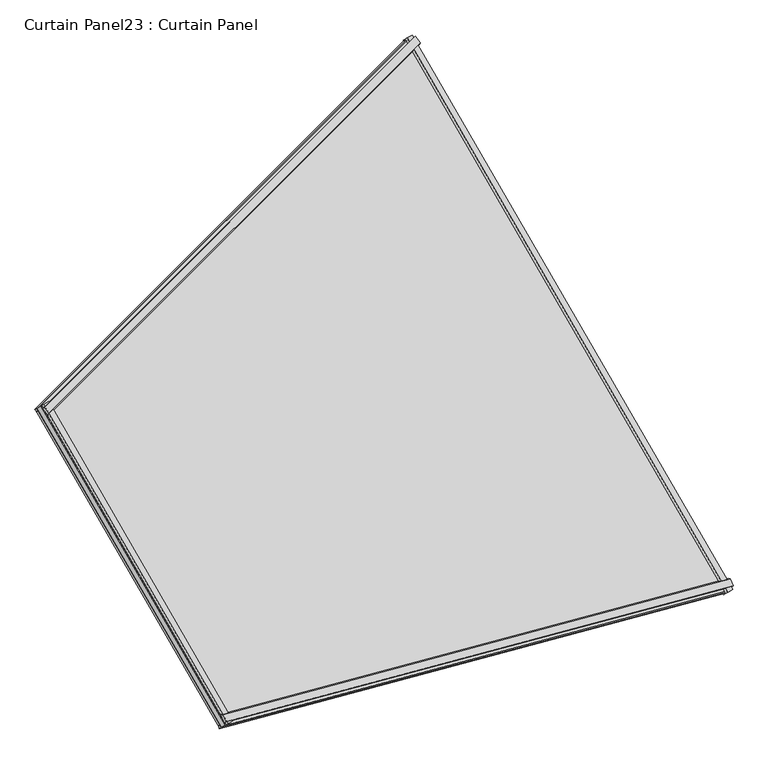
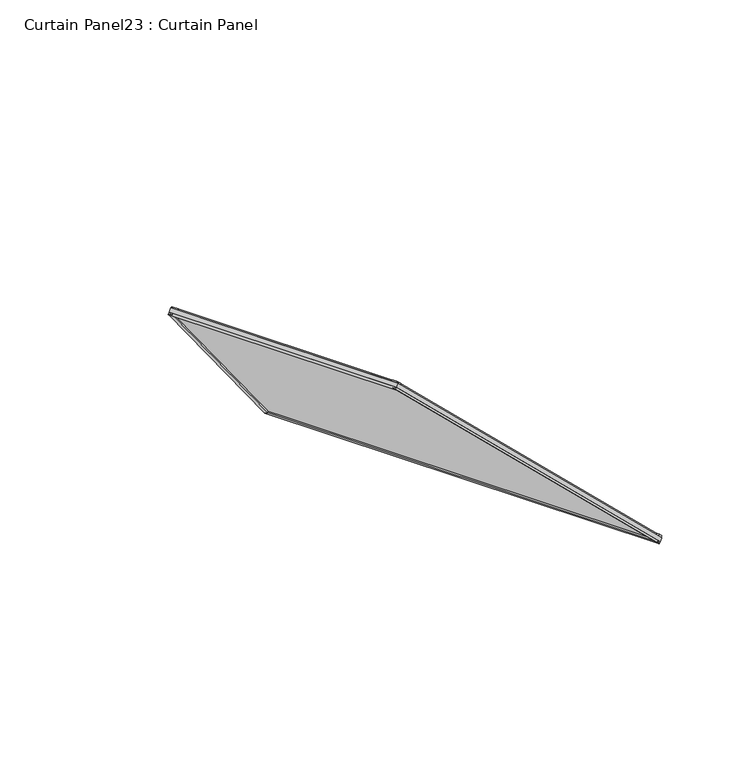
"""IFC4 building model written with IfcOpenShell, lengths in millimetres: plate geometry, Curtain Panel23 : Curtain Panel."""

import ifcopenshell
import ifcopenshell.guid

model = None  # the IFC model being written
_history = None  # IfcOwnerHistory: only IFC2X3 demands one
_inside = {}  # id of a spatial element -> (the spatial element, [elements in it])
_under = {}  # id of a project, library or spatial element -> (it, [spatial elements below it])
_declared = {}  # id of a project -> (the project, [libraries it declares])
_typed = {}  # id of a type object -> (the type object, [elements of that type])
_made_of = {}  # id of a material, layer set ... -> (it, [elements and type objects made of it])


def new_model(schema):
    """Start an empty IFC model of exactly this schema.

    Asked for "IFC4X3", IfcOpenShell would pick the latest addendum, in which some entities
    have other attributes; the version numbers below select the first issue.
    IFC2X3 requires an IfcOwnerHistory on every rooted entity: one is made here for all.
    """
    global model, _history
    if schema == "IFC4X3":
        model = ifcopenshell.file(schema_version=(4, 3, 0, 0))
    else:
        model = ifcopenshell.file(schema=schema)
    _inside.clear()
    _under.clear()
    _declared.clear()
    _typed.clear()
    _made_of.clear()
    _history = None
    if model.schema == "IFC2X3":
        org = make("IfcOrganization", Name="unknown")
        user = make(
            "IfcPersonAndOrganization",
            ThePerson=make("IfcPerson", FamilyName="unknown"),
            TheOrganization=org,
        )
        app = make(
            "IfcApplication",
            ApplicationDeveloper=org,
            Version="unknown",
            ApplicationFullName="unknown",
            ApplicationIdentifier="unknown",
        )
        _history = make(
            "IfcOwnerHistory",
            OwningUser=user,
            OwningApplication=app,
            ChangeAction="ADDED",
            CreationDate=0,
        )
    return model


def make(cls, **values):
    """One entity of the class cls with the attributes given. An attribute that is None is left unset."""
    return model.create_entity(
        cls, **{name: value for name, value in values.items() if value is not None}
    )


def rooted(cls, **values):
    """An entity with a GlobalId (a new one), such as an element, a storey or a relation."""
    return make(cls, GlobalId=ifcopenshell.guid.new(), OwnerHistory=_history, **values)


def si_unit(unit_type, name, prefix=None):
    """IfcSIUnit, for example si_unit("LENGTHUNIT", "METRE", prefix="MILLI")."""
    return make("IfcSIUnit", UnitType=unit_type, Prefix=prefix, Name=name)


def assignment(units):
    """IfcUnitAssignment: the units of a project."""
    return None if units is None else make("IfcUnitAssignment", Units=units)


def point(xyz):
    """IfcCartesianPoint."""
    return None if xyz is None else make("IfcCartesianPoint", Coordinates=xyz)


def direction(xyz):
    """IfcDirection."""
    return None if xyz is None else make("IfcDirection", DirectionRatios=xyz)


def frame(location, z_axis=None, x_axis=None):
    """IfcAxis2Placement3D, a coordinate frame: its origin and axes. An axis left out is left unset."""
    return make(
        "IfcAxis2Placement3D",
        Location=point(location),
        Axis=direction(z_axis),
        RefDirection=direction(x_axis),
    )


def origin():
    """The frame at (0, 0, 0) with its axes left unset."""
    return frame((0.0, 0.0, 0.0))


def place(relative_to, where):
    """IfcLocalPlacement: puts the frame where relative to a parent placement (None: the world)."""
    return make(
        "IfcLocalPlacement", PlacementRelTo=relative_to, RelativePlacement=where
    )


def context(
    kind, dimensions, precision=None, world=None, true_north=None, identifier=None
):
    """IfcGeometricRepresentationContext, for example the 3D "Model" context."""
    return make(
        "IfcGeometricRepresentationContext",
        ContextIdentifier=identifier,
        ContextType=kind,
        CoordinateSpaceDimension=dimensions,
        Precision=precision,
        WorldCoordinateSystem=world,
        TrueNorth=true_north,
    )


def project(units=None, contexts=None):
    """IfcProject with its units and contexts."""
    return rooted(
        "IfcProject",
        Name="project",
        RepresentationContexts=contexts,
        UnitsInContext=assignment(units),
    )


def spatial(cls, under=None, at=None, **own):
    """A site, building, storey or space (cls), placed at a placement, below another one or the project."""
    s = rooted(cls, ObjectPlacement=at, **own)
    if under is not None:
        _under.setdefault(under.id(), (under, []))[1].append(s)
    return s


def polyline(points):
    """IfcPolyline through the points."""
    return make("IfcPolyline", Points=[point(p) for p in points])


def outline(outer, holes=None, kind="AREA"):
    """IfcArbitraryClosedProfileDef: a profile drawn as a closed curve; with holes, ...WithVoids."""
    if holes is None:
        return make("IfcArbitraryClosedProfileDef", ProfileType=kind, OuterCurve=outer)
    return make(
        "IfcArbitraryProfileDefWithVoids",
        ProfileType=kind,
        OuterCurve=outer,
        InnerCurves=holes,
    )


def extrude(swept, where, along, depth):
    """IfcExtrudedAreaSolid: the profile swept, set in the frame where, extruded along a direction by depth."""
    return make(
        "IfcExtrudedAreaSolid",
        SweptArea=swept,
        Position=where,
        ExtrudedDirection=direction(along),
        Depth=depth,
    )


def shape(context_of_items, identifier, shape_type, items):
    """IfcShapeRepresentation: the items that make up one representation, for example the "Body"."""
    return make(
        "IfcShapeRepresentation",
        ContextOfItems=context_of_items,
        RepresentationIdentifier=identifier,
        RepresentationType=shape_type,
        Items=items,
    )


def source(mapping_origin, context_of_items, identifier, shape_type, items):
    """IfcRepresentationMap: a shape defined once, which mapped items show again and again."""
    return make(
        "IfcRepresentationMap",
        MappingOrigin=mapping_origin,
        MappedRepresentation=shape(context_of_items, identifier, shape_type, items),
    )


def transform(
    local_origin,
    x_axis=None,
    y_axis=None,
    z_axis=None,
    scale=None,
    scale2=None,
    scale3=None,
    uniform=True,
):
    """IfcCartesianTransformationOperator3D, or its non-uniform kind. x_axis, y_axis, z_axis: its Axis1, 2, 3."""
    if uniform:
        return make(
            "IfcCartesianTransformationOperator3D",
            Axis1=direction(x_axis),
            Axis2=direction(y_axis),
            LocalOrigin=point(local_origin),
            Scale=scale,
            Axis3=direction(z_axis),
        )
    return make(
        "IfcCartesianTransformationOperator3DnonUniform",
        Axis1=direction(x_axis),
        Axis2=direction(y_axis),
        LocalOrigin=point(local_origin),
        Scale=scale,
        Axis3=direction(z_axis),
        Scale2=scale2,
        Scale3=scale3,
    )


def mapped(mapping_source, mapping_target):
    """IfcMappedItem: shows the shape of a source again, moved by a transform."""
    return make(
        "IfcMappedItem", MappingSource=mapping_source, MappingTarget=mapping_target
    )


def made_of(thing, what):
    """Note that an element or type object is made of a material, layer set ...; save() writes the relation."""
    if what is not None:
        _made_of.setdefault(what.id(), (what, []))[1].append(thing)
    return thing


def element(
    cls,
    number,
    at=None,
    inside=None,
    cuts=None,
    type_object=None,
    material=None,
    context=None,
    identifier="Body",
    shape_type=None,
    held_by="IfcProductDefinitionShape",
    body=None,
    shapes=None,
    **own,
):
    """One element of the class cls, such as IfcWall. Its Tag is "e" and its number.

    at: its placement. inside: the storey or other place that contains it. cuts: it is an
    opening in that element (IfcRelVoidsElement). A single representation is given by context,
    identifier, shape_type and body (its items); several are given by shapes. held_by: the class
    of the entity that holds the representations. save() writes the other relations.
    """
    e = rooted(cls, Tag="e%d" % number, ObjectPlacement=at, **own)
    if body is not None:
        shapes = [shape(context, identifier, shape_type, body)]
    if shapes is not None:
        e.Representation = make(held_by, Representations=shapes)
    if inside is not None:
        _inside.setdefault(inside.id(), (inside, []))[1].append(e)
    if cuts is not None:
        rooted(
            "IfcRelVoidsElement", RelatingBuildingElement=cuts, RelatedOpeningElement=e
        )
    if type_object is not None:
        _typed.setdefault(type_object.id(), (type_object, []))[1].append(e)
    return made_of(e, material)


def aggregate(whole, parts):
    """IfcRelAggregates: a whole, such as a stair, and the parts it consists of."""
    return rooted("IfcRelAggregates", RelatingObject=whole, RelatedObjects=parts)


def save(model, path):
    """Write the relations noted so far, then the file.

    IfcRelAggregates (storeys below a building ...), IfcRelContainedInSpatialStructure (elements
    in a storey), IfcRelDefinesByType, IfcRelAssociatesMaterial and IfcRelDeclares: one each for
    every whole, place, type object, material and project.
    """
    for whole, parts in _under.values():
        aggregate(whole, parts)
    for where, things in _inside.values():
        rooted(
            "IfcRelContainedInSpatialStructure",
            RelatedElements=things,
            RelatingStructure=where,
        )
    for kind, things in _typed.values():
        rooted("IfcRelDefinesByType", RelatedObjects=things, RelatingType=kind)
    for what, things in _made_of.values():
        rooted("IfcRelAssociatesMaterial", RelatedObjects=things, RelatingMaterial=what)
    for by, libraries in _declared.values():
        rooted("IfcRelDeclares", RelatingContext=by, RelatedDefinitions=libraries)
    model.write(path)


def curtain_panel23_curtain_panel_d9ef7de8(model_context):
    return source(origin(), model_context, "Body", "SweptSolid", [
        extrude(outline(polyline([(22.3831196, -5.94766), (22.4361731, -22.5325479), (17.5121094, -25.3444408), (17.5121093, -5.9632419), (22.3831196, -5.94766)])), frame((-10338.2799405, -11851.903914, 2447.9025634), z_axis=(-0.5000000000000031, -0.49999999999999606, 0.7071067811865482), x_axis=(0.6228927525104988, 0.3596272983381983, 0.6947465906068653)), (0.0, 0.0, 1.0), 1550.2696766),
        extrude(outline(polyline([(-2.3405703, 1e-07), (4.7128906, 1e-07), (4.7128906, -11.3518128), (-0.0198592, -12.2485207), (-2.3405703, 1e-07)])), frame((-10338.2799405, -11851.903914, 2447.9025634), z_axis=(-0.5000000000000031, -0.49999999999999606, 0.7071067811865482), x_axis=(0.6228927525104988, 0.3596272983381983, 0.6947465906068653)), (0.0, 0.0, 1.0), 1550.2696766),
        extrude(outline(polyline([(22.3831196, 5.9476601), (17.5121093, 5.963242), (17.5121093, 25.3444409), (22.4361731, 22.532548), (22.3831196, 5.9476601)])), frame((-9669.7596169, -13009.8150803, 2447.9025634), z_axis=(-0.683012701892215, -0.18301270189222724, 0.7071067811865499), x_axis=(0.6228927525104987, 0.35962729833819845, 0.6947465906068652)), (0.0, 0.0, 1.0), 1550.2696766),
        extrude(outline(polyline([(-2.3405704, 0.0), (-0.0187213, 12.2545263), (4.7128906, 11.358034), (4.7128905, 0.0), (-2.3405704, 0.0)])), frame((-9669.7596169, -13009.8150803, 2447.9025634), z_axis=(-0.683012701892215, -0.18301270189222724, 0.7071067811865499), x_axis=(0.6228927525104987, 0.35962729833819845, 0.6947465906068652)), (0.0, 0.0, 1.0), 1550.2696766),
        extrude(outline(polyline([(4.7128906, 0.0), (4.7128906, -13.7689417), (-0.0072961, -12.7820367), (-2.884415, -2.033638), (4.7128906, 0.0)])), frame((-9669.9987427, -13009.8226503, 2448.1208762), z_axis=(-0.4999999999999919, 0.8660254037844435, 0.0), x_axis=(0.6228927525104988, 0.3596272983381983, 0.6947465906068652)), (0.0, 0.0, 1.0), 1336.8146331),
        extrude(outline(polyline([(22.4691869, -21.8874309), (17.5121094, -24.3595661), (17.5121094, -3.9575953), (22.473391, -5.2216894), (22.4691869, -21.8874309)])), frame((-9669.9987427, -13009.8226503, 2448.1208762), z_axis=(-0.4999999999999919, 0.8660254037844435, 0.0), x_axis=(0.6228927525104988, 0.3596272983381983, 0.6947465906068652)), (0.0, 0.0, 1.0), 1336.8146331),
        extrude(outline(polyline([(4.7128906, 0.0), (-2.884415, 2.0336379), (-0.0072961, 12.7820366), (4.7128906, 13.7689417), (4.7128906, 0.0)])), frame((-10728.8526218, -13293.5416917, 3544.3270755), z_axis=(-0.49999999999999495, 0.8660254037844415, 0.0), x_axis=(0.6228927525104988, 0.3596272983381983, 0.6947465906068653)), (0.0, 0.0, 1.0), 769.3765487),
        extrude(outline(polyline([(22.4691869, 21.8874308), (22.473391, 5.2216894), (17.5121094, 3.9575953), (17.5121094, 24.3595661), (22.4691869, 21.8874308)])), frame((-10728.8526218, -13293.5416917, 3544.3270755), z_axis=(-0.49999999999999495, 0.8660254037844415, 0.0), x_axis=(0.6228927525104988, 0.3596272983381983, 0.6947465906068653)), (0.0, 0.0, 1.0), 769.3765487),
        extrude(outline(polyline([(-15.9831756, 0.0), (-260.6579153, -1314.3476658), (-1707.0792127, -756.4933003), (-1566.2528499, -1e-07), (-15.9831756, 0.0)])), frame((-10327.5070978, -11842.3718125, 2440.093329), z_axis=(0.6228927525104988, 0.3596272983381984, 0.6947465906068652), x_axis=(0.5000000000000026, 0.49999999999999656, -0.7071067811865481)), (0.0, 0.0, 1.0), 12.7992188),
    ])


if __name__ == "__main__":
    model = new_model("IFC4")
    model_context = context("Model", 3, world=origin())
    ifc_project = project(units=[si_unit("LENGTHUNIT", "METRE", prefix="MILLI")], contexts=[model_context])
    site = spatial("IfcSite", under=ifc_project)
    building = spatial("IfcBuilding", under=site)
    placement = place(None, origin())
    curtain_panel23_curtain_panel_shape = curtain_panel23_curtain_panel_d9ef7de8(model_context)
    element("IfcPlate", 1, ObjectType="Curtain Panel23 : Curtain Panel", at=placement, inside=building, context=model_context, shape_type="MappedRepresentation", body=[
        mapped(curtain_panel23_curtain_panel_shape, transform((0.0, 0.0, 0.0), x_axis=(1.0, 0.0, 0.0), y_axis=(0.0, 1.0, 0.0), z_axis=(0.0, 0.0, 1.0))),
    ])
    save(model, "model.ifc")
